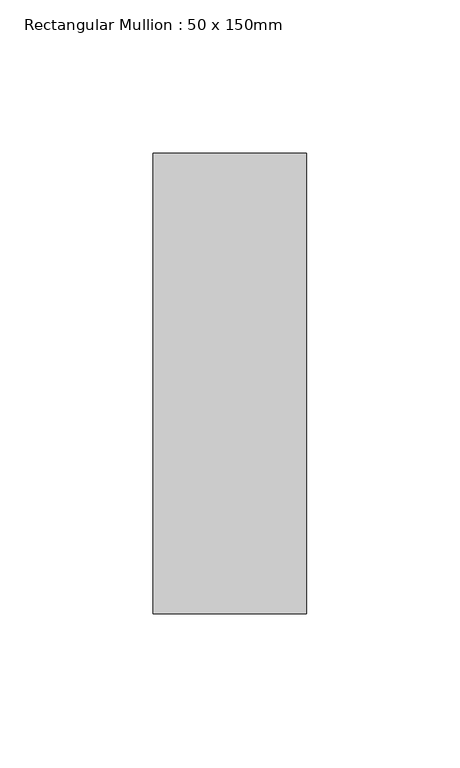
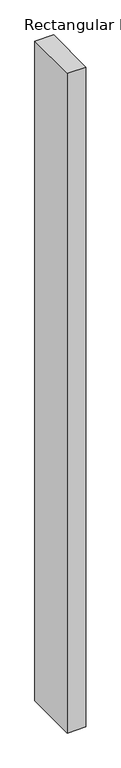
"""IFC4 building model written with IfcOpenShell, lengths in millimetres: member geometry, Rectangular Mullion : 50 x 150mm."""

from ifc_helpers import new_model, si_unit, frame, origin, place, context, project, spatial, polyline, outline, extrude, source, transform, mapped, element, save


def rectangular_mullion_50_x_150mm_b6eb4195(model_context):
    return source(origin(), model_context, "Body", "SweptSolid", [
        extrude(outline(polyline([(0.0, 75.0), (0.0, -75.0), (-50.0, -75.0), (-50.0, 75.0), (0.0, 75.0)])), frame((0.0, 0.0, -1866.6666667), z_axis=(0.0, 0.0, 1.0), x_axis=(1.0, 0.0, 0.0)), (0.0, 0.0, 1.0), 1866.6666667),
    ])


if __name__ == "__main__":
    model = new_model("IFC4")
    model_context = context("Model", 3, world=origin())
    ifc_project = project(units=[si_unit("LENGTHUNIT", "METRE", prefix="MILLI")], contexts=[model_context])
    site = spatial("IfcSite", under=ifc_project)
    building = spatial("IfcBuilding", under=site)
    placement = place(None, origin())
    rectangular_mullion_50_x_150mm_shape = rectangular_mullion_50_x_150mm_b6eb4195(model_context)
    element("IfcMember", 1, ObjectType="Rectangular Mullion : 50 x 150mm", at=placement, inside=building, context=model_context, shape_type="MappedRepresentation", body=[
        mapped(rectangular_mullion_50_x_150mm_shape, transform((0.0, 0.0, 0.0), x_axis=(1.0, 0.0, 0.0), y_axis=(0.0, 1.0, 0.0), z_axis=(0.0, 0.0, 1.0))),
    ])
    save(model, "model.ifc")
